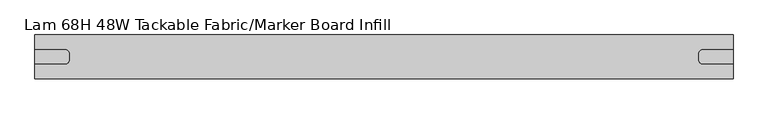
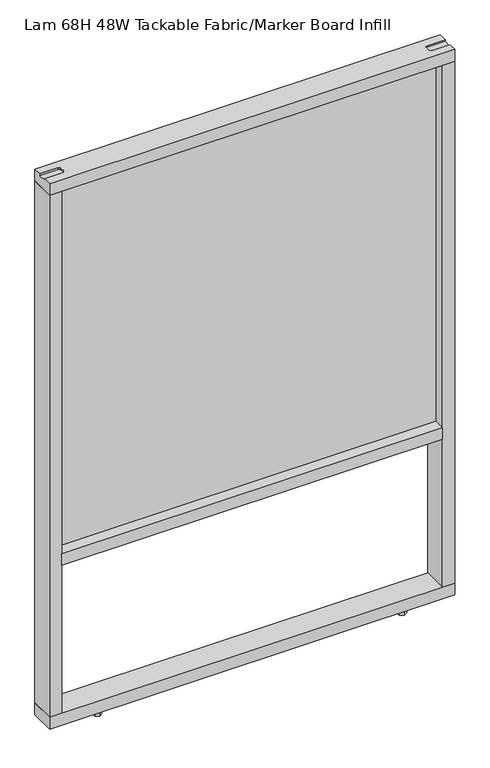
"""IFC4 building model written with IfcOpenShell, lengths in millimetres: furniture geometry, Lam 68H 48W Tackable Fabric/Marker Board Infill."""

from ifc_helpers import new_model, si_unit, frame, origin, origin_with_axes, place, context, project, spatial, polyline, circle_curve, outline, extrude, faceted_brep, source, transform, mapped, element, save
from ifc_brep_helpers import plane_surface, revolved_surface, advanced_brep


def lam_68h_48w_tackable_fabric_marker_board_infill_4ee751e6(model_context):
    return source(origin(), model_context, "Body", "SolidModel", [
        extrude(outline(polyline([(1185.164, 38.1), (1185.164, 34.4678), (43.307, 34.4678), (43.307, 38.1), (1185.164, 38.1)])), frame((0.0, 0.0, 556.0822), z_axis=(0.0, 0.0, 1.0), x_axis=(1.0, 0.0, 0.0)), (0.0, 0.0, 1.0), 1149.8326),
        extrude(outline(polyline([(1185.164, 41.7322), (1185.164, 38.1), (43.307, 38.1), (43.307, 41.7322), (1185.164, 41.7322)])), frame((0.0, 0.0, 556.0822), z_axis=(0.0, 0.0, 1.0), x_axis=(1.0, 0.0, 0.0)), (0.0, 0.0, 1.0), 1149.8326),
        advanced_brep(
        [(1222.248, 0.0, 1742.9988), (6.223, 0.0, 1742.9988), (6.223, 0.0, 1705.9148), (1222.248, 0.0, 1705.9148), (1222.248, 76.2, 1742.9988), (1222.248, 76.2, 1705.9148), (6.223, 76.2, 1705.9148), (6.223, 76.2, 1742.9988), (1222.248, 25.3492, 1742.9988), (1168.273, 25.3492, 1742.9988), (1161.923, 31.6992, 1742.9988), (1161.923, 44.5008, 1742.9988), (1168.273, 50.8508, 1742.9988), (1222.248, 50.8508, 1742.9988), (6.223, 50.8508, 1742.9988), (60.198, 50.8508, 1742.9988), (66.548, 44.5008, 1742.9988), (66.548, 31.6992, 1742.9988), (60.198, 25.3492, 1742.9988), (6.223, 25.3492, 1742.9988), (6.223, 25.3492, 1737.9188), (6.223, 50.8508, 1737.9188), (1222.248, 50.8508, 1737.9188), (1222.248, 25.3492, 1737.9188), (60.198, 50.8508, 1737.9188), (60.198, 25.3492, 1737.9188), (66.548, 31.6992, 1737.9188), (66.548, 44.5008, 1737.9188), (1168.273, 50.8508, 1737.9188), (1161.923, 44.5008, 1737.9188), (1161.923, 31.6992, 1737.9188), (1168.273, 25.3492, 1737.9188)],
        [
            (0, 1),
            (1, 2),
            (2, 3),
            (3, 0),
            (4, 5),
            (5, 6),
            (6, 7),
            (7, 4),
            (0, 8),
            (8, 9),
            (9, 10, circle_curve(frame((1168.273, 31.6992, 1742.9988), z_axis=(0.0, 0.0, -1.0), x_axis=(1.0, 0.0, 0.0)), 6.35)),
            (10, 11),
            (11, 12, circle_curve(frame((1168.273, 44.5008, 1742.9988), z_axis=(0.0, 0.0, -1.0), x_axis=(1.0, 0.0, 0.0)), 6.35)),
            (12, 13),
            (13, 4),
            (7, 14),
            (14, 15),
            (15, 16, circle_curve(frame((60.198, 44.5008, 1742.9988), z_axis=(0.0, 0.0, -1.0), x_axis=(1.0, 0.0, 0.0)), 6.35)),
            (16, 17),
            (17, 18, circle_curve(frame((60.198, 31.6992, 1742.9988), z_axis=(0.0, 0.0, -1.0), x_axis=(1.0, 0.0, 0.0)), 6.35)),
            (18, 19),
            (19, 1),
            (19, 20),
            (20, 21),
            (21, 14),
            (6, 2),
            (5, 3),
            (13, 22),
            (22, 23),
            (23, 8),
            (24, 21),
            (20, 25),
            (25, 26, circle_curve(frame((60.198, 31.6992, 1737.9188), z_axis=(0.0, 0.0, 1.0), x_axis=(1.0, 0.0, 0.0)), 6.35)),
            (26, 27),
            (27, 24, circle_curve(frame((60.198, 44.5008, 1737.9188), z_axis=(0.0, 0.0, 1.0), x_axis=(1.0, 0.0, 0.0)), 6.35)),
            (28, 29, circle_curve(frame((1168.273, 44.5008, 1737.9188), z_axis=(0.0, 0.0, 1.0), x_axis=(1.0, 0.0, 0.0)), 6.35)),
            (29, 30),
            (30, 31, circle_curve(frame((1168.273, 31.6992, 1737.9188), z_axis=(0.0, 0.0, 1.0), x_axis=(1.0, 0.0, 0.0)), 6.35)),
            (31, 23),
            (22, 28),
            (24, 15),
            (18, 25),
            (17, 26),
            (16, 27),
            (28, 12),
            (11, 29),
            (10, 30),
            (9, 31),
        ],
        [
            plane_surface(frame((6.223, 0.0, 1742.9988), z_axis=(0.0, -1.0, 0.0), x_axis=(-1.0, 0.0, 0.0))),
            plane_surface(frame((6.223, 76.2, 1742.9988), z_axis=(0.0, 1.0, 0.0), x_axis=(1.0, 0.0, 0.0))),
            plane_surface(frame((1222.248, 0.0, 1742.9988), z_axis=(0.0, 0.0, 1.0), x_axis=(0.0, 1.0, 0.0))),
            plane_surface(frame((6.223, 0.0, 1742.9988), z_axis=(-1.0, 0.0, 0.0), x_axis=(0.0, 1.0, 0.0))),
            plane_surface(frame((6.223, 0.0, 1705.9148), z_axis=(0.0, 0.0, -1.0), x_axis=(0.0, 1.0, 0.0))),
            plane_surface(frame((1222.248, 0.0, 1705.9148), z_axis=(1.0, 0.0, 0.0), x_axis=(0.0, 1.0, 0.0))),
            plane_surface(frame((6.223, 50.8508, 1737.9188), z_axis=(0.0, 0.0, 1.0), x_axis=(1.0, 0.0, 0.0))),
            plane_surface(frame((60.198, 50.8508, 1806.6561967), z_axis=(0.0, -1.0, 0.0), x_axis=(0.0, 0.0, -1.0))),
            plane_surface(frame((6.223, 25.3492, 1806.6561967), z_axis=(0.0, 1.0, 0.0), x_axis=(0.0, 0.0, -1.0))),
            revolved_surface(polyline([(66.548, 31.6992, 1742.9988), (66.548, 31.6992, 1737.9188)]), (60.198, 31.6992, 1737.9188), (0.0, 0.0, 1.0)),
            plane_surface(frame((66.548, 31.6992, 1806.6561967), z_axis=(-1.0, 1.5140005651264145e-12, 0.0), x_axis=(0.0, 0.0, -1.0))),
            revolved_surface(polyline([(66.548, 44.5008, 1742.9988), (66.548, 44.5008, 1737.9188)]), (60.198, 44.5008, 1737.9188), (0.0, 0.0, 1.0)),
            revolved_surface(polyline([(1174.6229999999998, 44.5008, 1742.9988), (1174.6229999999998, 44.5008, 1737.9188)]), (1168.273, 44.5008, 0.0), (0.0, 0.0, 1.0)),
            plane_surface(frame((1161.923, 44.5008, 1806.6561967), z_axis=(1.0, 4.229421046181905e-12, 0.0), x_axis=(0.0, 0.0, -1.0))),
            revolved_surface(polyline([(1174.6229999999998, 31.6992, 1742.9988), (1174.6229999999998, 31.6992, 1737.9188)]), (1168.273, 31.6992, 0.0), (0.0, 0.0, 1.0)),
            plane_surface(frame((1168.273, 25.3492, 1806.6561967), z_axis=(0.0, 1.0, 0.0), x_axis=(0.0, 0.0, -1.0))),
            plane_surface(frame((1222.248, 50.8508, 1806.6561967), z_axis=(0.0, -1.0, 0.0), x_axis=(0.0, 0.0, -1.0))),
        ],
        [
            (0, [[1, 2, 3, 4]]),
            (1, [[5, 6, 7, 8]]),
            (2, [[-1, 9, 10, 11, 12, 13, 14, 15, -8, 16, 17, 18, 19, 20, 21, 22]]),
            (3, [[-2, -22, 23, 24, 25, -16, -7, 26]]),
            (4, [[-3, -26, -6, 27]]),
            (5, [[-4, -27, -5, -15, 28, 29, 30, -9]]),
            (6, [[31, -24, 32, 33, 34, 35]]),
            (6, [[36, 37, 38, 39, -29, 40]]),
            (7, [[-31, 41, -17, -25]]),
            (8, [[-32, -23, -21, 42]]),
            (9, [[-33, -42, -20, 43]]),
            (10, [[-34, -43, -19, 44]]),
            (11, [[-35, -44, -18, -41]]),
            (12, [[-36, 45, -13, 46]]),
            (13, [[-37, -46, -12, 47]]),
            (14, [[-38, -47, -11, 48]]),
            (15, [[-39, -48, -10, -30]]),
            (16, [[-40, -28, -14, -45]]),
        ],
    ),
        faceted_brep([(1222.248, 0.0, 49.784), (6.223, 0.0, 49.784), (6.223, 0.0, 12.7), (1222.248, 0.0, 12.7), (1222.248, 76.2, 49.784), (1222.248, 76.2, 12.7), (6.223, 76.2, 12.7), (6.223, 76.2, 49.784)], [[[0, 1, 2, 3]], [[4, 5, 6, 7]], [[1, 0, 4, 7]], [[3, 2, 6, 5]], [[0, 3, 5, 4]], [[2, 1, 7, 6]]]),
        extrude(outline(polyline([(1071.4355, 74.4965257), (1082.3575, 68.190706), (1082.3575, 55.5790667), (1071.4355, 49.2732471), (1060.5135, 55.5790667), (1060.5135, 68.190706), (1071.4355, 74.4965257)])), origin_with_axes(), (0.0, 0.0, 1.0), 12.7),
        extrude(outline(polyline([(1071.4355, 26.8756169), (1082.3575, 20.5697972), (1082.3575, 7.9581579), (1071.4355, 1.6523383), (1060.5135, 7.9581579), (1060.5135, 20.5697972), (1071.4355, 26.8756169)])), origin_with_axes(), (0.0, 0.0, 1.0), 12.7),
        extrude(outline(polyline([(157.0355, 74.4965257), (167.9575, 68.190706), (167.9575, 55.5790667), (157.0355, 49.2732471), (146.1135, 55.5790667), (146.1135, 68.190706), (157.0355, 74.4965257)])), origin_with_axes(), (0.0, 0.0, 1.0), 12.7),
        extrude(outline(polyline([(157.0355, 26.8756169), (167.9575, 20.5697972), (167.9575, 7.9581579), (157.0355, 1.6523383), (146.1135, 7.9581579), (146.1135, 20.5697972), (157.0355, 26.8756169)])), origin_with_axes(), (0.0, 0.0, 1.0), 12.7),
        extrude(outline(polyline([(1185.164, 0.0), (43.307, 0.0), (43.307, 76.2), (1185.164, 76.2), (1185.164, 0.0)])), frame((0.0, 0.0, 518.9982), z_axis=(0.0, 0.0, 1.0), x_axis=(1.0, 0.0, 0.0)), (0.0, 0.0, 1.0), 37.084),
        extrude(outline(polyline([(43.307, 0.0), (6.223, 0.0), (6.223, 76.2), (43.307, 76.2), (43.307, 0.0)])), frame((0.0, 0.0, 49.784), z_axis=(0.0, 0.0, 1.0), x_axis=(1.0, 0.0, 0.0)), (0.0, 0.0, 1.0), 1656.1308),
        extrude(outline(polyline([(1222.248, 0.0), (1185.164, 0.0), (1185.164, 76.2), (1222.248, 76.2), (1222.248, 0.0)])), frame((0.0, 0.0, 49.784), z_axis=(0.0, 0.0, 1.0), x_axis=(1.0, 0.0, 0.0)), (0.0, 0.0, 1.0), 1656.1308),
    ])


if __name__ == "__main__":
    model = new_model("IFC4")
    model_context = context("Model", 3, world=origin())
    ifc_project = project(units=[si_unit("LENGTHUNIT", "METRE", prefix="MILLI")], contexts=[model_context])
    site = spatial("IfcSite", under=ifc_project)
    building = spatial("IfcBuilding", under=site)
    placement = place(None, origin())
    lam_68h_48w_tackable_fabric_marker_board_infill_shape = lam_68h_48w_tackable_fabric_marker_board_infill_4ee751e6(model_context)
    element("IfcFurniture", 1, ObjectType="Lam 68H 48W Tackable Fabric/Marker Board Infill", at=placement, inside=building, context=model_context, shape_type="MappedRepresentation", body=[
        mapped(lam_68h_48w_tackable_fabric_marker_board_infill_shape, transform((0.0, 0.0, 0.0), x_axis=(1.0, 0.0, 0.0), y_axis=(0.0, 1.0, 0.0), z_axis=(0.0, 0.0, 1.0))),
    ])
    save(model, "model.ifc")
